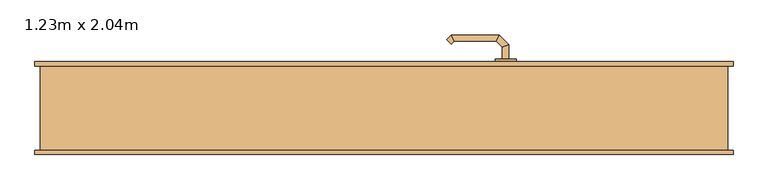
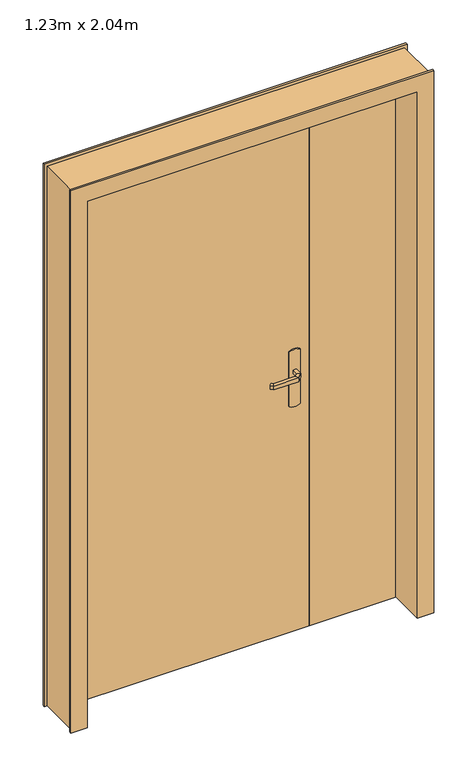
"""IFC4 building model written with IfcOpenShell, lengths in millimetres: door geometry, 1.23m x 2.04m."""

from ifc_helpers import new_model, si_unit, point, frame, frame_2d, origin, origin_with_axes, place, context, project, spatial, polyline, circle_curve, ellipse_curve, trimmed, segment, composite_curve, outline, extrude, faceted_brep, source, transform, mapped, element, save
from ifc_brep_helpers import plane_surface, cylinder_surface, advanced_brep


def door_1_23m_x_2_04m_1a268cb3(model_context):
    return source(origin(), model_context, "Body", "SolidModel", [
        advanced_brep(
        [(224.0, 43.0, 993.0), (224.0, 43.0, 1007.0), (236.0, 43.0, 1007.0), (236.0, 43.0, 993.0), (224.0, 20.5147955, 993.0), (224.0, 20.5147955, 1007.0), (236.0, 15.5442327, 1007.0), (236.0, 15.5442327, 993.0), (212.5147186, 9.0295141, 993.0), (212.5147186, 9.0295141, 1007.0), (217.4852814, -2.9704859, 1007.0), (217.4852814, -2.9704859, 993.0), (132.4394977, 9.0295141, 993.0), (132.4394977, 9.0295141, 1007.0), (127.468935, -2.9704859, 1007.0), (127.468935, -2.9704859, 993.0), (127.1257892, 14.3432226, 993.0), (118.6405078, 5.8579412, 993.0), (118.6405078, 5.8579412, 1007.0), (127.1257892, 14.3432226, 1007.0)],
        [
            (0, 1),
            (1, 2, circle_curve(frame((230.0, 43.0, 986.9542278), z_axis=(0.0, 1.0, 0.0), x_axis=(1.0, 0.0, 0.0)), 20.9244589)),
            (2, 3),
            (3, 0, circle_curve(frame((230.0, 43.0, 1013.0457722), z_axis=(0.0, 1.0, 0.0), x_axis=(1.0, 0.0, 0.0)), 20.9244589)),
            (0, 4),
            (4, 5),
            (5, 1),
            (5, 6, ellipse_curve(frame((230.0, 18.0295141, 986.9542278), z_axis=(0.38268343236510893, 0.9238795325112789, 0.0), x_axis=(-0.9238795325112789, 0.3826834323651087, 0.0)), 22.6484711, 20.9244589)),
            (6, 2),
            (6, 7),
            (7, 3),
            (7, 4, ellipse_curve(frame((230.0, 18.0295141, 1013.0457722), z_axis=(0.38268343236510893, 0.9238795325112789, 0.0), x_axis=(-0.9238795325112789, 0.3826834323651087, 0.0)), 22.6484711, 20.9244589)),
            (4, 8),
            (8, 9),
            (9, 5),
            (9, 10, ellipse_curve(frame((215.0, 3.0295141, 986.9542278), z_axis=(0.9238795325112946, 0.38268343236507063, 0.0), x_axis=(-0.3826834323650701, 0.9238795325112948, 0.0)), 22.6484711, 20.9244589)),
            (10, 6),
            (10, 11),
            (11, 7),
            (11, 8, ellipse_curve(frame((215.0, 3.0295141, 1013.0457722), z_axis=(0.9238795325112946, 0.38268343236507063, 0.0), x_axis=(-0.3826834323650701, 0.9238795325112948, 0.0)), 22.6484711, 20.9244589)),
            (8, 12),
            (12, 13),
            (13, 9),
            (13, 14, ellipse_curve(frame((129.9542163, 3.0295141, 986.9542278), z_axis=(0.9238795325113071, -0.38268343236504027, 0.0), x_axis=(0.38268343236504115, 0.9238795325113068, 0.0)), 22.6484711, 20.9244589)),
            (14, 10),
            (14, 15),
            (15, 11),
            (15, 12, ellipse_curve(frame((129.9542163, 3.0295141, 1013.0457722), z_axis=(0.9238795325113071, -0.38268343236504027, 0.0), x_axis=(0.38268343236504115, 0.9238795325113068, 0.0)), 22.6484711, 20.9244589)),
            (16, 17, circle_curve(frame((122.8831485, 10.1005819, 1013.0457722), z_axis=(-0.7071067811866232, 0.7071067811864719, 0.0), x_axis=(-0.7071067811864719, -0.7071067811866232, 0.0)), 20.9244589)),
            (17, 18),
            (18, 19, circle_curve(frame((122.8831485, 10.1005819, 986.9542278), z_axis=(-0.7071067811866232, 0.7071067811864719, 0.0), x_axis=(-0.7071067811864719, -0.7071067811866232, 0.0)), 20.9244589)),
            (19, 16),
            (12, 16),
            (19, 13),
            (18, 14),
            (17, 15),
        ],
        [
            plane_surface(frame((239.2195445, 43.0, 1000.0), z_axis=(0.0, 1.0, 0.0), x_axis=(0.0, 0.0, 1.0))),
            plane_surface(frame((224.0, 43.0, 993.0), z_axis=(-1.0, 0.0, 0.0), x_axis=(0.0, -1.0, 0.0))),
            cylinder_surface(frame((230.0, 43.0, 986.9542278), z_axis=(0.0, 1.0, 0.0), x_axis=(1.0, 0.0, 0.0)), 20.9244589),
            plane_surface(frame((236.0, 43.0, 1007.0), z_axis=(1.0, 0.0, 0.0), x_axis=(0.0, -1.0, 0.0))),
            cylinder_surface(frame((230.0, 43.0, 1013.0457722), z_axis=(0.0, 1.0, 0.0), x_axis=(1.0, 0.0, 0.0)), 20.9244589),
            plane_surface(frame((224.0, 20.5147955, 993.0), z_axis=(-0.707106781186518, 0.707106781186577, 0.0), x_axis=(-0.707106781186577, -0.707106781186518, 0.0))),
            cylinder_surface(frame((230.0, 18.0295141, 986.9542278), z_axis=(0.7071067811865768, 0.7071067811865183, 0.0), x_axis=(0.7071067811865183, -0.7071067811865768, 0.0)), 20.9244589),
            plane_surface(frame((236.0, 15.5442327, 1007.0), z_axis=(0.7071067811865185, -0.7071067811865767, 0.0), x_axis=(-0.7071067811865767, -0.7071067811865185, 0.0))),
            cylinder_surface(frame((230.0, 18.0295141, 1013.0457722), z_axis=(0.7071067811865768, 0.7071067811865183, 0.0), x_axis=(0.7071067811865183, -0.7071067811865768, 0.0)), 20.9244589),
            plane_surface(frame((212.5147186, 9.0295141, 993.0), z_axis=(0.0, 1.0, 0.0), x_axis=(-1.0, 0.0, 0.0))),
            cylinder_surface(frame((215.0, 3.0295141, 986.9542278), z_axis=(1.0, 0.0, 0.0), x_axis=(0.0, -1.0, 0.0)), 20.9244589),
            plane_surface(frame((217.4852814, -2.9704859, 1007.0), z_axis=(0.0, -1.0, 0.0), x_axis=(-1.0, 0.0, 0.0))),
            cylinder_surface(frame((215.0, 3.0295141, 1013.0457722), z_axis=(1.0, 0.0, 0.0), x_axis=(0.0, -1.0, 0.0)), 20.9244589),
            plane_surface(frame((122.8831485, 10.1005819, 990.7804555), z_axis=(-0.7071067811866233, 0.7071067811864719, 0.0), x_axis=(-0.7071067811864719, -0.7071067811866233, 0.0))),
            plane_surface(frame((132.4394977, 9.0295141, 993.0), z_axis=(0.707106781186471, 0.7071067811866241, 0.0), x_axis=(-0.7071067811866241, 0.707106781186471, 0.0))),
            cylinder_surface(frame((129.9542163, 3.0295141, 986.9542278), z_axis=(0.7071067811866232, -0.7071067811864719, 0.0), x_axis=(-0.7071067811864719, -0.7071067811866232, 0.0)), 20.9244589),
            plane_surface(frame((127.468935, -2.9704859, 1007.0), z_axis=(-0.7071067811864723, -0.7071067811866228, 0.0), x_axis=(-0.7071067811866228, 0.7071067811864723, 0.0))),
            cylinder_surface(frame((129.9542163, 3.0295141, 1013.0457722), z_axis=(0.7071067811866232, -0.7071067811864719, 0.0), x_axis=(-0.7071067811864719, -0.7071067811866232, 0.0)), 20.9244589),
        ],
        [
            (0, [[1, 2, 3, 4]]),
            (1, [[-1, 5, 6, 7]]),
            (2, [[-2, -7, 8, 9]]),
            (3, [[-3, -9, 10, 11]]),
            (4, [[-4, -11, 12, -5]]),
            (5, [[-6, 13, 14, 15]]),
            (6, [[-8, -15, 16, 17]]),
            (7, [[-10, -17, 18, 19]]),
            (8, [[-12, -19, 20, -13]]),
            (9, [[-14, 21, 22, 23]]),
            (10, [[-16, -23, 24, 25]]),
            (11, [[-18, -25, 26, 27]]),
            (12, [[-20, -27, 28, -21]]),
            (13, [[29, 30, 31, 32]]),
            (14, [[-22, 33, -32, 34]]),
            (15, [[-24, -34, -31, 35]]),
            (16, [[-26, -35, -30, 36]]),
            (17, [[-28, -36, -29, -33]]),
        ],
    ),
        advanced_brep(
        [(236.0, 93.0, 1007.0), (224.0, 93.0, 1007.0), (224.0, 93.0, 993.0), (236.0, 93.0, 993.0), (236.0, 120.6509507, 1007.0), (224.0, 115.680388, 1007.0), (224.0, 115.680388, 993.0), (236.0, 120.6509507, 993.0), (217.62279, 139.0281607, 1007.0), (212.6522273, 127.0281607, 1007.0), (212.6522273, 127.0281607, 993.0), (217.62279, 139.0281607, 993.0), (127.496078, 139.0281607, 1007.0), (132.4666408, 127.0281607, 1007.0), (132.4666408, 127.0281607, 993.0), (127.496078, 139.0281607, 993.0), (118.6676509, 130.1997336, 1007.0), (118.6676509, 130.1997336, 993.0), (127.1529323, 121.7144522, 993.0), (127.1529323, 121.7144522, 1007.0)],
        [
            (0, 1, circle_curve(frame((230.0, 93.0, 986.9542278), z_axis=(0.0, -1.0, 0.0), x_axis=(-1.0, 0.0, 0.0)), 20.9244589)),
            (1, 2),
            (2, 3, circle_curve(frame((230.0, 93.0, 1013.0457722), z_axis=(0.0, -1.0, 0.0), x_axis=(-1.0, 0.0, 0.0)), 20.9244589)),
            (3, 0),
            (0, 4),
            (4, 5, ellipse_curve(frame((230.0, 118.1656693, 986.9542278), z_axis=(0.3826834323651093, -0.9238795325112789, 0.0), x_axis=(-0.9238795325112791, -0.38268343236510843, 0.0)), 22.6484711, 20.9244589)),
            (5, 1),
            (5, 6),
            (6, 2),
            (6, 7, ellipse_curve(frame((230.0, 118.1656693, 1013.0457722), z_axis=(0.3826834323651093, -0.9238795325112789, 0.0), x_axis=(-0.9238795325112791, -0.38268343236510843, 0.0)), 22.6484711, 20.9244589)),
            (7, 3),
            (7, 4),
            (4, 8),
            (8, 9, ellipse_curve(frame((215.1375086, 133.0281607, 986.9542278), z_axis=(0.9238795325112947, -0.38268343236507024, 0.0), x_axis=(-0.3826834323650698, -0.9238795325112951, 0.0)), 22.6484711, 20.9244589)),
            (9, 5),
            (9, 10),
            (10, 6),
            (10, 11, ellipse_curve(frame((215.1375086, 133.0281607, 1013.0457722), z_axis=(0.9238795325112947, -0.38268343236507024, 0.0), x_axis=(-0.3826834323650698, -0.9238795325112951, 0.0)), 22.6484711, 20.9244589)),
            (11, 7),
            (11, 8),
            (8, 12),
            (12, 13, ellipse_curve(frame((129.9813594, 133.0281607, 986.9542278), z_axis=(0.9238795325112743, 0.3826834323651198, 0.0), x_axis=(0.38268343236511987, -0.9238795325112744, 0.0)), 22.6484711, 20.9244589)),
            (13, 9),
            (13, 14),
            (14, 10),
            (14, 15, ellipse_curve(frame((129.9813594, 133.0281607, 1013.0457722), z_axis=(0.9238795325112743, 0.3826834323651198, 0.0), x_axis=(0.38268343236511987, -0.9238795325112744, 0.0)), 22.6484711, 20.9244589)),
            (15, 11),
            (15, 12),
            (16, 17),
            (17, 18, circle_curve(frame((122.9102916, 125.9570929, 1013.0457722), z_axis=(-0.7071067811865017, -0.7071067811865933, 0.0), x_axis=(0.7071067811865933, -0.7071067811865017, 0.0)), 20.9244589)),
            (18, 19),
            (19, 16, circle_curve(frame((122.9102916, 125.9570929, 986.9542278), z_axis=(-0.7071067811865017, -0.7071067811865933, 0.0), x_axis=(0.7071067811865933, -0.7071067811865017, 0.0)), 20.9244589)),
            (12, 16),
            (19, 13),
            (18, 14),
            (17, 15),
        ],
        [
            plane_surface(frame((239.2195445, 93.0, 1000.0), z_axis=(0.0, -1.0, 0.0), x_axis=(0.0, 0.0, -1.0))),
            cylinder_surface(frame((230.0, 93.0, 986.9542278), z_axis=(0.0, -1.0, 0.0), x_axis=(-1.0, 0.0, 0.0)), 20.9244589),
            plane_surface(frame((224.0, 93.0, 1007.0), z_axis=(-1.0, 0.0, 0.0), x_axis=(0.0, 1.0, 0.0))),
            cylinder_surface(frame((230.0, 93.0, 1013.0457722), z_axis=(0.0, -1.0, 0.0), x_axis=(-1.0, 0.0, 0.0)), 20.9244589),
            plane_surface(frame((236.0, 93.0, 993.0), z_axis=(1.0, 0.0, 0.0), x_axis=(0.0, 1.0, 0.0))),
            cylinder_surface(frame((230.0, 118.1656693, 986.9542278), z_axis=(0.7071067811865772, -0.7071067811865177, 0.0), x_axis=(-0.7071067811865177, -0.7071067811865772, 0.0)), 20.9244589),
            plane_surface(frame((224.0, 115.680388, 1007.0), z_axis=(-0.7071067811865183, -0.7071067811865768, 0.0), x_axis=(-0.7071067811865768, 0.7071067811865183, 0.0))),
            cylinder_surface(frame((230.0, 118.1656693, 1013.0457722), z_axis=(0.7071067811865772, -0.7071067811865177, 0.0), x_axis=(-0.7071067811865177, -0.7071067811865772, 0.0)), 20.9244589),
            plane_surface(frame((236.0, 120.6509507, 993.0), z_axis=(0.707106781186518, 0.707106781186577, 0.0), x_axis=(-0.707106781186577, 0.707106781186518, 0.0))),
            cylinder_surface(frame((215.1375086, 133.0281607, 986.9542278), z_axis=(1.0, 0.0, 0.0), x_axis=(0.0, -1.0, 0.0)), 20.9244589),
            plane_surface(frame((212.6522273, 127.0281607, 1007.0), z_axis=(0.0, -1.0, 0.0), x_axis=(-1.0, 0.0, 0.0))),
            cylinder_surface(frame((215.1375086, 133.0281607, 1013.0457722), z_axis=(1.0, 0.0, 0.0), x_axis=(0.0, -1.0, 0.0)), 20.9244589),
            plane_surface(frame((217.62279, 139.0281607, 993.0), z_axis=(0.0, 1.0, 0.0), x_axis=(-1.0, 0.0, 0.0))),
            plane_surface(frame((122.9102916, 125.9570929, 1009.2195445), z_axis=(-0.7071067811865019, -0.7071067811865932, 0.0), x_axis=(-0.7071067811865932, 0.7071067811865019, 0.0))),
            cylinder_surface(frame((129.9813594, 133.0281607, 986.9542278), z_axis=(0.7071067811865017, 0.7071067811865933, 0.0), x_axis=(0.7071067811865933, -0.7071067811865017, 0.0)), 20.9244589),
            plane_surface(frame((132.4666408, 127.0281607, 1007.0), z_axis=(0.7071067811865936, -0.7071067811865014, 0.0), x_axis=(-0.7071067811865014, -0.7071067811865936, 0.0))),
            cylinder_surface(frame((129.9813594, 133.0281607, 1013.0457722), z_axis=(0.7071067811865017, 0.7071067811865933, 0.0), x_axis=(0.7071067811865933, -0.7071067811865017, 0.0)), 20.9244589),
            plane_surface(frame((127.496078, 139.0281607, 993.0), z_axis=(-0.707106781186593, 0.7071067811865022, 0.0), x_axis=(-0.7071067811865022, -0.707106781186593, 0.0))),
        ],
        [
            (0, [[1, 2, 3, 4]]),
            (1, [[-1, 5, 6, 7]]),
            (2, [[-2, -7, 8, 9]]),
            (3, [[-3, -9, 10, 11]]),
            (4, [[-4, -11, 12, -5]]),
            (5, [[-6, 13, 14, 15]]),
            (6, [[-8, -15, 16, 17]]),
            (7, [[-10, -17, 18, 19]]),
            (8, [[-12, -19, 20, -13]]),
            (9, [[-14, 21, 22, 23]]),
            (10, [[-16, -23, 24, 25]]),
            (11, [[-18, -25, 26, 27]]),
            (12, [[-20, -27, 28, -21]]),
            (13, [[29, 30, 31, 32]]),
            (14, [[-22, 33, -32, 34]]),
            (15, [[-24, -34, -31, 35]]),
            (16, [[-26, -35, -30, 36]]),
            (17, [[-28, -36, -29, -33]]),
        ],
    ),
        extrude(outline(composite_curve([segment(polyline([(1080.0, 210.0), (870.0, 210.0)]), True, "CONTINUOUS"), segment(trimmed(circle_curve(frame_2d((904.6410162, 230.0)), 40.0), [point((870.0, 210.0))], [point((870.0, 250.0))], False, "CARTESIAN"), True, "CONTINUOUS"), segment(polyline([(870.0, 250.0), (1080.0, 250.0)]), True, "CONTINUOUS"), segment(trimmed(circle_curve(frame_2d((1045.3589838, 230.0)), 40.0), [point((1080.0, 250.0))], [point((1080.0, 210.0))], False, "CARTESIAN"), True, "CONTINUOUS")], self_intersect=False)), frame((0.0, 43.0, 0.0), z_axis=(0.0, 1.0, 0.0), x_axis=(0.0, 0.0, 1.0)), (0.0, 0.0, 1.0), 5.0),
        extrude(outline(composite_curve([segment(polyline([(870.0, 250.0), (1080.0, 250.0)]), True, "CONTINUOUS"), segment(trimmed(circle_curve(frame_2d((1045.3589838, 230.0)), 40.0), [point((1080.0, 250.0))], [point((1080.0, 210.0))], False, "CARTESIAN"), True, "CONTINUOUS"), segment(polyline([(1080.0, 210.0), (870.0, 210.0)]), True, "CONTINUOUS"), segment(trimmed(circle_curve(frame_2d((904.6410162, 230.0)), 40.0), [point((870.0, 210.0))], [point((870.0, 250.0))], False, "CARTESIAN"), True, "CONTINUOUS")], self_intersect=False)), frame((0.0, 88.0, 0.0), z_axis=(0.0, 1.0, 0.0), x_axis=(0.0, 0.0, 1.0)), (0.0, 0.0, 1.0), 5.0),
        faceted_brep([(-650.0, 80.0, 0.0), (-660.0, 80.0, 0.0), (-660.0, 88.0, 0.0), (-615.0, 88.0, 0.0), (-615.0, 48.0, 0.0), (-600.0, 48.0, 0.0), (-600.0, -88.0, 0.0), (-660.0, -88.0, 0.0), (-660.0, -80.0, 0.0), (-650.0, -80.0, 0.0), (-650.0, -80.0, 2075.0), (-650.0, 80.0, 2075.0), (-660.0, -80.0, 2085.0), (660.0, -80.0, 2085.0), (660.0, -80.0, 0.0), (650.0, -80.0, 0.0), (650.0, -80.0, 2075.0), (-660.0, -88.0, 2085.0), (-600.0, -88.0, 2025.0), (600.0, -88.0, 2025.0), (600.0, -88.0, 0.0), (660.0, -88.0, 0.0), (660.0, -88.0, 2085.0), (-600.0, 48.0, 2025.0), (-615.0, 48.0, 2040.0), (615.0, 48.0, 2040.0), (615.0, 48.0, 0.0), (600.0, 48.0, 0.0), (600.0, 48.0, 2025.0), (-615.0, 88.0, 2040.0), (-660.0, 88.0, 2085.0), (660.0, 88.0, 2085.0), (660.0, 88.0, 0.0), (615.0, 88.0, 0.0), (615.0, 88.0, 2040.0), (-660.0, 80.0, 2085.0), (650.0, 80.0, 2075.0), (650.0, 80.0, 0.0), (660.0, 80.0, 0.0), (660.0, 80.0, 2085.0)], [[[0, 1, 2, 3, 4, 5, 6, 7, 8, 9]], [[9, 10, 11, 0]], [[8, 12, 13, 14, 15, 16, 10, 9]], [[7, 17, 12, 8]], [[6, 18, 19, 20, 21, 22, 17, 7]], [[5, 23, 18, 6]], [[4, 24, 25, 26, 27, 28, 23, 5]], [[3, 29, 24, 4]], [[2, 30, 31, 32, 33, 34, 29, 3]], [[1, 35, 30, 2]], [[0, 11, 36, 37, 38, 39, 35, 1]], [[16, 15, 37, 36]], [[37, 15, 14, 21, 20, 27, 26, 33, 32, 38]], [[22, 21, 14, 13]], [[28, 27, 20, 19]], [[34, 33, 26, 25]], [[39, 38, 32, 31]], [[10, 16, 36, 11]], [[17, 22, 13, 12]], [[23, 28, 19, 18]], [[29, 34, 25, 24]], [[35, 39, 31, 30]]]),
        extrude(outline(polyline([(615.0, 88.0), (615.0, 48.0), (285.0, 48.0), (285.0, 88.0), (615.0, 88.0)])), origin_with_axes(), (0.0, 0.0, 1.0), 2040.0),
        extrude(outline(polyline([(285.0, 88.0), (285.0, 48.0), (-615.0, 48.0), (-615.0, 88.0), (285.0, 88.0)])), origin_with_axes(), (0.0, 0.0, 1.0), 2040.0),
    ])


if __name__ == "__main__":
    model = new_model("IFC4")
    model_context = context("Model", 3, world=origin())
    ifc_project = project(units=[si_unit("LENGTHUNIT", "METRE", prefix="MILLI")], contexts=[model_context])
    site = spatial("IfcSite", under=ifc_project)
    building = spatial("IfcBuilding", under=site)
    placement = place(None, origin())
    door_1_23m_x_2_04m_shape = door_1_23m_x_2_04m_1a268cb3(model_context)
    element("IfcDoor", 1, ObjectType="1.23m x 2.04m", at=placement, inside=building, context=model_context, shape_type="MappedRepresentation", body=[
        mapped(door_1_23m_x_2_04m_shape, transform((0.0, 0.0, 0.0), x_axis=(1.0, 0.0, 0.0), y_axis=(0.0, 1.0, 0.0), z_axis=(0.0, 0.0, 1.0))),
    ])
    save(model, "model.ifc")
